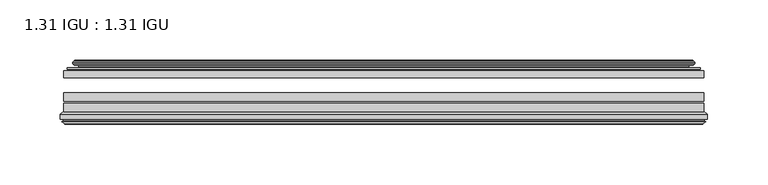
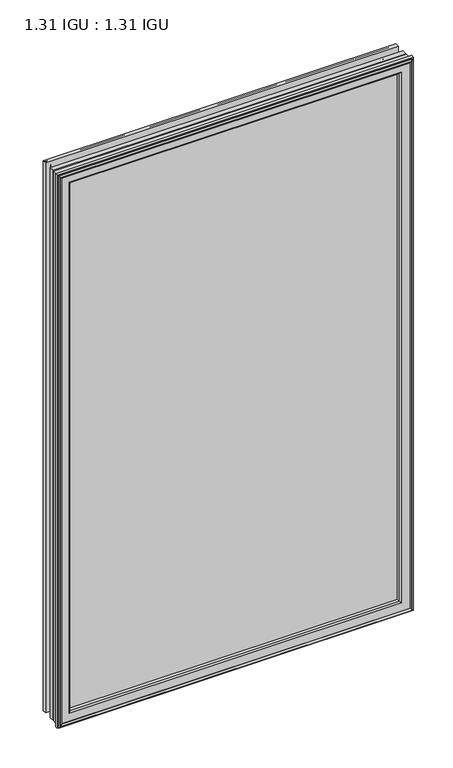
"""IFC4 building model written with IfcOpenShell, lengths in millimetres: plate geometry, 1.31 IGU : 1.31 IGU."""

from ifc_helpers import new_model, si_unit, frame, origin, place, context, project, spatial, polyline, ellipse_curve, outline, extrude, source, transform, mapped, element, save
from ifc_brep_helpers import plane_surface, cylinder_surface, revolved_surface, advanced_brep


def plate_1_31_igu_1_31_igu_ac7e89a2(model_context):
    return source(origin(), model_context, "Body", "SolidModel", [
        extrude(outline(polyline([(265.1078362, -44.8960875), (265.1078362, -50.4332875), (-265.1127713, -50.4332875), (-265.1127713, -44.8960875), (265.1078362, -44.8960875)])), frame((0.0, 0.0, -14.2875), z_axis=(0.0, 0.0, 1.0), x_axis=(1.0, 0.0, 0.0)), (0.0, 0.0, 1.0), 873.1260851),
        extrude(outline(polyline([(-265.1127713, -78.7796875), (-265.1127713, -71.7692875), (265.1078362, -71.7692875), (265.1078362, -78.7796875), (-265.1127713, -78.7796875)])), frame((0.0, 0.0, -14.2875), z_axis=(0.0, 0.0, 1.0), x_axis=(1.0, 0.0, 0.0)), (0.0, 0.0, 1.0), 873.1260851),
        extrude(outline(polyline([(-265.1127713, -70.2452875), (-265.1127713, -63.1332875), (265.1078362, -63.1332875), (265.1078362, -70.2452875), (-265.1127713, -70.2452875)])), frame((0.0, 0.0, -14.2875), z_axis=(0.0, 0.0, 1.0), x_axis=(1.0, 0.0, 0.0)), (0.0, 0.0, 1.0), 873.1260851),
        advanced_brep(
        [(-255.7674468, -37.7373382, 849.4932606), (-250.8258138, -36.3108875, 844.5516277), (-250.8258138, -36.3108875, -0.0005426), (-255.7674468, -37.7373382, -4.9421755), (-255.6023415, -36.9605789, 849.3281553), (-255.6023415, -36.9605789, -4.7770702), (-256.1978272, -36.4771203, 849.923641), (-256.1978272, -36.4771203, -5.3725559), (-257.462463, -37.766076, 851.1882768), (-257.462463, -37.766076, -6.6371917), (-257.4516462, -38.8797852, 851.17746), (-257.4516462, -38.8797852, -6.6263749), (-256.170161, -40.1361433, 849.8959748), (-256.170161, -40.1361433, -5.3448897), (-255.5651542, -39.649943, 849.290968), (-255.5651542, -39.649943, -4.7398829), (-256.1191684, -39.0959287, 849.8449823), (-256.1191684, -39.0959287, -5.2938972), (-253.83336, -38.7029881, 847.5591739), (-253.83336, -38.7029881, -3.0080887), (-252.3742869, -40.2107282, 846.1001008), (-252.3742869, -40.2107282, -1.5490157), (-252.6708689, -41.651269, 846.3966827), (-252.6708689, -41.651269, -1.8455976), (-253.4420933, -42.2798875, 847.1679072), (-253.4420933, -42.2798875, -2.6168221), (-261.7460697, -43.4871542, 855.4718835), (-261.4708682, -42.2798875, 855.1966821), (-261.4708682, -42.2798875, -10.6455969), (-261.7460697, -43.4871542, -10.9207984), (-258.288501, -44.8960875, 852.0143149), (-258.288501, -44.8960875, -7.4632297), (-247.1908772, -44.023302, 840.9166911), (-247.5462152, -44.8960875, 841.272029), (-247.5462152, -44.8960875, 3.2790561), (-247.1908772, -44.023302, 3.6343941), (-247.8620752, -43.3681812, 841.5878891), (-247.8620752, -43.3681812, 2.963196), (-249.5028658, -40.6686056, 843.2286797), (-249.5028658, -40.6686056, 1.3224054), (250.8258138, -36.3108875, -0.0005426), (255.7674468, -37.7373382, -4.9421755), (255.6023415, -36.9605789, -4.7770702), (256.1978272, -36.4771203, -5.3725559), (257.462463, -37.766076, -6.6371917), (257.4516462, -38.8797852, -6.6263749), (256.170161, -40.1361433, -5.3448897), (255.5651542, -39.649943, -4.7398829), (256.1191684, -39.0959287, -5.2938972), (253.83336, -38.7029881, -3.0080887), (252.3742869, -40.2107282, -1.5490157), (252.6708689, -41.651269, -1.8455976), (253.4420933, -42.2798875, -2.6168221), (261.4708682, -42.2798875, -10.6455969), (261.7460697, -43.4871542, -10.9207984), (258.288501, -44.8960875, -7.4632297), (247.5462152, -44.8960875, 3.2790561), (247.1908772, -44.023302, 3.6343941), (247.8620752, -43.3681812, 2.963196), (249.5028658, -40.6686056, 1.3224054), (250.8258138, -36.3108875, 844.5516277), (255.7674468, -37.7373382, 849.4932606), (255.6023415, -36.9605789, 849.3281553), (256.1978272, -36.4771203, 849.923641), (257.462463, -37.766076, 851.1882768), (257.4516462, -38.8797852, 851.17746), (256.170161, -40.1361433, 849.8959748), (255.5651542, -39.649943, 849.290968), (256.1191684, -39.0959287, 849.8449823), (253.83336, -38.7029881, 847.5591739), (252.3742869, -40.2107282, 846.1001008), (252.6708689, -41.651269, 846.3966827), (253.4420933, -42.2798875, 847.1679072), (261.4708682, -42.2798875, 855.1966821), (261.7460697, -43.4871542, 855.4718835), (258.288501, -44.8960875, 852.0143149), (247.5462152, -44.8960875, 841.272029), (247.1908772, -44.023302, 840.9166911), (247.8620752, -43.3681812, 841.5878891), (249.5028658, -40.6686056, 843.2286797)],
        [
            (0, 1),
            (1, 2),
            (2, 3),
            (3, 0),
            (4, 0),
            (3, 5),
            (5, 4),
            (6, 4, ellipse_curve(frame((-255.9228584, -36.746901, 849.6486723), z_axis=(-0.7071067811865475, 0.0, -0.7071067811865475), x_axis=(-0.7071067811865474, 0.0, 0.7071067811865476)), 0.5447741, 0.3852135)),
            (5, 7, ellipse_curve(frame((-255.9228584, -36.746901, -5.0975871), z_axis=(-0.7071067811865475, 0.0, 0.7071067811865475), x_axis=(0.7071067811865474, 0.0, 0.7071067811865476)), 0.5447741, 0.3852135)),
            (7, 6),
            (8, 6),
            (7, 9),
            (9, 8),
            (10, 8, ellipse_curve(frame((-256.9004099, -38.3175243, 850.6262238), z_axis=(-0.7071067811865475, 0.0, -0.7071067811865475), x_axis=(-0.7071067811865474, 0.0, 0.7071067811865476)), 1.1135518, 0.7874)),
            (9, 11, ellipse_curve(frame((-256.9004099, -38.3175243, -6.0751387), z_axis=(-0.7071067811865475, 0.0, 0.7071067811865475), x_axis=(0.7071067811865474, 0.0, 0.7071067811865476)), 1.1135518, 0.7874)),
            (11, 10),
            (12, 10),
            (11, 13),
            (13, 12),
            (14, 12, ellipse_curve(frame((-255.8965635, -39.8570738, 849.6223773), z_axis=(-0.7071067811865475, 0.0, -0.7071067811865475), x_axis=(-0.7071067811865474, 0.0, 0.7071067811865476)), 0.552694, 0.3908137)),
            (13, 15, ellipse_curve(frame((-255.8965635, -39.8570738, -5.0712922), z_axis=(-0.7071067811865475, 0.0, 0.7071067811865475), x_axis=(0.7071067811865474, 0.0, 0.7071067811865476)), 0.552694, 0.3908137)),
            (15, 14),
            (16, 14),
            (15, 17),
            (17, 16),
            (18, 16),
            (17, 19),
            (19, 18),
            (20, 18, ellipse_curve(frame((-253.6181974, -39.954629, 847.3440112), z_axis=(0.7071067811865475, 0.0, 0.7071067811865475), x_axis=(0.7071067811865474, 0.0, -0.7071067811865476)), 1.7960512, 1.27)),
            (19, 21, ellipse_curve(frame((-253.6181974, -39.954629, -2.7929261), z_axis=(0.7071067811865475, 0.0, -0.7071067811865475), x_axis=(-0.7071067811865474, 0.0, -0.7071067811865476)), 1.7960512, 1.27)),
            (21, 20),
            (22, 20),
            (21, 23),
            (23, 22),
            (24, 22, ellipse_curve(frame((-253.4420933, -41.4924875, 847.1679072), z_axis=(0.7071067811865475, 0.0, 0.7071067811865475), x_axis=(0.7071067811865474, 0.0, -0.7071067811865476)), 1.1135518, 0.7874)),
            (23, 25, ellipse_curve(frame((-253.4420933, -41.4924875, -2.6168221), z_axis=(0.7071067811865475, 0.0, -0.7071067811865475), x_axis=(-0.7071067811865474, 0.0, -0.7071067811865476)), 1.1135518, 0.7874)),
            (25, 24),
            (26, 27, ellipse_curve(frame((-261.4708682, -42.9148875, 855.1966821), z_axis=(-0.7071067811865475, 0.0, -0.7071067811865475), x_axis=(-0.7071067811865474, 0.0, 0.7071067811865476)), 0.8980256, 0.635)),
            (27, 28),
            (28, 29, ellipse_curve(frame((-261.4708682, -42.9148875, -10.6455969), z_axis=(-0.7071067811865475, 0.0, 0.7071067811865475), x_axis=(0.7071067811865474, 0.0, 0.7071067811865476)), 0.8980256, 0.635)),
            (29, 26),
            (30, 26),
            (29, 31),
            (31, 30),
            (32, 33, ellipse_curve(frame((-247.5462152, -44.3873602, 841.272029), z_axis=(-0.7071067811865475, 0.0, -0.7071067811865475), x_axis=(-0.7071067811865474, 0.0, 0.7071067811865476)), 0.719449, 0.5087273)),
            (33, 34),
            (34, 35, ellipse_curve(frame((-247.5462152, -44.3873602, 3.2790561), z_axis=(-0.7071067811865475, 0.0, 0.7071067811865475), x_axis=(0.7071067811865474, 0.0, 0.7071067811865476)), 0.719449, 0.5087273)),
            (35, 32),
            (36, 32),
            (35, 37),
            (37, 36),
            (38, 36, ellipse_curve(frame((-243.426701, -38.823959, 837.1525149), z_axis=(0.7071067811865475, 0.0, 0.7071067811865475), x_axis=(0.7071067811865474, 0.0, -0.7071067811865476)), 8.9802561, 6.35)),
            (37, 39, ellipse_curve(frame((-243.426701, -38.823959, 7.3985702), z_axis=(0.7071067811865475, 0.0, -0.7071067811865475), x_axis=(-0.7071067811865474, 0.0, -0.7071067811865476)), 8.9802561, 6.35)),
            (39, 38),
            (1, 38),
            (39, 2),
            (2, 40),
            (40, 41),
            (41, 3),
            (41, 42),
            (42, 5),
            (42, 43, ellipse_curve(frame((255.9228584, -36.746901, -5.0975871), z_axis=(-0.7071067811865475, 0.0, -0.7071067811865475), x_axis=(-0.7071067811865476, 0.0, 0.7071067811865474)), 0.5447741, 0.3852135)),
            (43, 7),
            (43, 44),
            (44, 9),
            (44, 45, ellipse_curve(frame((256.9004099, -38.3175243, -6.0751387), z_axis=(-0.7071067811865475, 0.0, -0.7071067811865475), x_axis=(-0.7071067811865476, 0.0, 0.7071067811865474)), 1.1135518, 0.7874)),
            (45, 11),
            (45, 46),
            (46, 13),
            (46, 47, ellipse_curve(frame((255.8965635, -39.8570738, -5.0712922), z_axis=(-0.7071067811865475, 0.0, -0.7071067811865475), x_axis=(-0.7071067811865476, 0.0, 0.7071067811865474)), 0.552694, 0.3908137)),
            (47, 15),
            (47, 48),
            (48, 17),
            (48, 49),
            (49, 19),
            (49, 50, ellipse_curve(frame((253.6181974, -39.954629, -2.7929261), z_axis=(0.7071067811865475, 0.0, 0.7071067811865475), x_axis=(0.7071067811865476, 0.0, -0.7071067811865474)), 1.7960512, 1.27)),
            (50, 21),
            (50, 51),
            (51, 23),
            (51, 52, ellipse_curve(frame((253.4420933, -41.4924875, -2.6168221), z_axis=(0.7071067811865475, 0.0, 0.7071067811865475), x_axis=(0.7071067811865476, 0.0, -0.7071067811865474)), 1.1135518, 0.7874)),
            (52, 25),
            (28, 53),
            (53, 54, ellipse_curve(frame((261.4708682, -42.9148875, -10.6455969), z_axis=(-0.7071067811865475, 0.0, -0.7071067811865475), x_axis=(-0.7071067811865476, 0.0, 0.7071067811865474)), 0.8980256, 0.635)),
            (54, 29),
            (54, 55),
            (55, 31),
            (34, 56),
            (56, 57, ellipse_curve(frame((247.5462152, -44.3873602, 3.2790561), z_axis=(-0.7071067811865475, 0.0, -0.7071067811865475), x_axis=(-0.7071067811865476, 0.0, 0.7071067811865474)), 0.719449, 0.5087273)),
            (57, 35),
            (57, 58),
            (58, 37),
            (58, 59, ellipse_curve(frame((243.426701, -38.823959, 7.3985702), z_axis=(0.7071067811865475, 0.0, 0.7071067811865475), x_axis=(0.7071067811865476, 0.0, -0.7071067811865474)), 8.9802561, 6.35)),
            (59, 39),
            (59, 40),
            (40, 60),
            (60, 61),
            (61, 41),
            (61, 62),
            (62, 42),
            (62, 63, ellipse_curve(frame((255.9228584, -36.746901, 849.6486723), z_axis=(0.7071067811865475, 0.0, -0.7071067811865475), x_axis=(-0.7071067811865474, 0.0, -0.7071067811865476)), 0.5447741, 0.3852135)),
            (63, 43),
            (63, 64),
            (64, 44),
            (64, 65, ellipse_curve(frame((256.9004099, -38.3175243, 850.6262238), z_axis=(0.7071067811865475, 0.0, -0.7071067811865475), x_axis=(-0.7071067811865474, 0.0, -0.7071067811865476)), 1.1135518, 0.7874)),
            (65, 45),
            (65, 66),
            (66, 46),
            (66, 67, ellipse_curve(frame((255.8965635, -39.8570738, 849.6223773), z_axis=(0.7071067811865475, 0.0, -0.7071067811865475), x_axis=(-0.7071067811865474, 0.0, -0.7071067811865476)), 0.552694, 0.3908137)),
            (67, 47),
            (67, 68),
            (68, 48),
            (68, 69),
            (69, 49),
            (69, 70, ellipse_curve(frame((253.6181974, -39.954629, 847.3440112), z_axis=(-0.7071067811865475, 0.0, 0.7071067811865475), x_axis=(0.7071067811865474, 0.0, 0.7071067811865476)), 1.7960512, 1.27)),
            (70, 50),
            (70, 71),
            (71, 51),
            (71, 72, ellipse_curve(frame((253.4420933, -41.4924875, 847.1679072), z_axis=(-0.7071067811865475, 0.0, 0.7071067811865475), x_axis=(0.7071067811865474, 0.0, 0.7071067811865476)), 1.1135518, 0.7874)),
            (72, 52),
            (53, 73),
            (73, 74, ellipse_curve(frame((261.4708682, -42.9148875, 855.1966821), z_axis=(0.7071067811865475, 0.0, -0.7071067811865475), x_axis=(-0.7071067811865474, 0.0, -0.7071067811865476)), 0.8980256, 0.635)),
            (74, 54),
            (74, 75),
            (75, 55),
            (56, 76),
            (76, 77, ellipse_curve(frame((247.5462152, -44.3873602, 841.272029), z_axis=(0.7071067811865475, 0.0, -0.7071067811865475), x_axis=(-0.7071067811865474, 0.0, -0.7071067811865476)), 0.719449, 0.5087273)),
            (77, 57),
            (77, 78),
            (78, 58),
            (78, 79, ellipse_curve(frame((243.426701, -38.823959, 837.1525149), z_axis=(-0.7071067811865475, 0.0, 0.7071067811865475), x_axis=(0.7071067811865474, 0.0, 0.7071067811865476)), 8.9802561, 6.35)),
            (79, 59),
            (79, 60),
            (60, 1),
            (0, 61),
            (4, 62),
            (6, 63),
            (8, 64),
            (10, 65),
            (12, 66),
            (14, 67),
            (16, 68),
            (18, 69),
            (20, 70),
            (22, 71),
            (24, 72),
            (27, 73),
            (26, 74),
            (30, 75),
            (33, 76),
            (32, 77),
            (36, 78),
            (38, 79),
        ],
        [
            plane_surface(frame((-250.8258138, -36.3108875, 844.5516277), z_axis=(-0.2773364928492854, 0.9607728502273877, 0.0), x_axis=(0.0, 0.0, -1.0))),
            plane_surface(frame((-255.7674468, -37.7373382, 849.4932606), z_axis=(0.9781476007338358, -0.2079116908176177, 0.0), x_axis=(0.0, 0.0, -1.0))),
            cylinder_surface(frame((-255.9228584, -36.746901, 876.3010851), z_axis=(0.0, 0.0, 1.0), x_axis=(-1.0, 0.0, 0.0)), 0.3852135),
            plane_surface(frame((-256.1978272, -36.4771203, 849.923641), z_axis=(-0.7138087599382162, 0.7003406701280928, 0.0), x_axis=(0.0, 0.0, -1.0))),
            cylinder_surface(frame((-256.9004099, -38.3175243, 876.3010851), z_axis=(0.0, 0.0, 1.0), x_axis=(-1.0, 0.0, 0.0)), 0.7874),
            plane_surface(frame((-257.4516462, -38.8797852, 851.17746), z_axis=(-0.7000714109283732, -0.7140728391423082, 0.0), x_axis=(0.0, 0.0, -1.0))),
            cylinder_surface(frame((-255.8965635, -39.8570738, 876.3010851), z_axis=(0.0, 0.0, 1.0), x_axis=(-1.0, 0.0, 0.0)), 0.3908137),
            plane_surface(frame((-255.5651542, -39.649943, 849.290968), z_axis=(0.7071067811861126, 0.7071067811869826, 0.0), x_axis=(0.0, 0.0, -1.0))),
            plane_surface(frame((-256.1191684, -39.0959287, 849.8449823), z_axis=(0.16941940671011482, -0.9855440449974789, 0.0), x_axis=(0.0, 0.0, -1.0))),
            revolved_surface(polyline([(-254.88819740000002, -39.954629, -4.0629260828783345), (-254.88819740000002, -39.954629, 848.6140111828782)]), (-253.6181974, -39.954629, 876.3010851), (0.0, 0.0, -1.0)),
            plane_surface(frame((-252.3742869, -40.2107282, 846.1001008), z_axis=(-0.9794570432566897, 0.201652920670302, 0.0), x_axis=(0.0, 0.0, -1.0))),
            revolved_surface(polyline([(-254.2294933, -41.4924875, -3.4042221289824965), (-254.2294933, -41.4924875, 847.9553072289824)]), (-253.4420933, -41.4924875, 876.3010851), (0.0, 0.0, -1.0)),
            cylinder_surface(frame((-261.4708682, -42.9148875, 876.3010851), z_axis=(0.0, 0.0, 1.0), x_axis=(-1.0, 0.0, 0.0)), 0.635),
            plane_surface(frame((-261.7460697, -43.4871542, 855.4718835), z_axis=(-0.37736447542757934, -0.9260648209954139, 0.0), x_axis=(0.0, 0.0, -1.0))),
            cylinder_surface(frame((-247.5462152, -44.3873602, 876.3010851), z_axis=(0.0, 0.0, 1.0), x_axis=(-1.0, 0.0, 0.0)), 0.5087273),
            plane_surface(frame((-247.1908772, -44.023302, 840.9166911), z_axis=(0.698484125849927, 0.7156255486884628, 0.0), x_axis=(0.0, 0.0, -1.0))),
            revolved_surface(polyline([(-249.776701, -38.823959, 1.0485702148981773), (-249.776701, -38.823959, 843.5025148851018)]), (-243.426701, -38.823959, 876.3010851), (0.0, 0.0, -1.0)),
            plane_surface(frame((-249.5028658, -40.6686056, 843.2286797), z_axis=(0.9568763473517009, 0.2904955350411895, 0.0), x_axis=(0.0, 0.0, -1.0))),
            plane_surface(frame((-250.8258138, -36.3108875, -0.0005426), z_axis=(0.0, 0.9607728502273868, -0.2773364928492885), x_axis=(1.0, 0.0, 0.0))),
            plane_surface(frame((-255.7674468, -37.7373382, -4.9421755), z_axis=(0.0, -0.20791169081761454, 0.9781476007338364), x_axis=(1.0, 0.0, 0.0))),
            cylinder_surface(frame((-282.5752713, -36.746901, -5.0975871), z_axis=(-1.0, 0.0, 0.0), x_axis=(0.0, 0.0, -1.0)), 0.3852135),
            plane_surface(frame((-256.1978272, -36.4771203, -5.3725559), z_axis=(0.0, 0.7003406701280904, -0.7138087599382185), x_axis=(1.0, 0.0, 0.0))),
            cylinder_surface(frame((-282.5752713, -38.3175243, -6.0751387), z_axis=(-1.0, 0.0, 0.0), x_axis=(0.0, 0.0, -1.0)), 0.7874),
            plane_surface(frame((-257.4516462, -38.8797852, -6.6263749), z_axis=(0.0, -0.7140728391423105, -0.7000714109283709), x_axis=(1.0, 0.0, 0.0))),
            cylinder_surface(frame((-282.5752713, -39.8570738, -5.0712922), z_axis=(-1.0, 0.0, 0.0), x_axis=(0.0, 0.0, -1.0)), 0.3908137),
            plane_surface(frame((-255.5651542, -39.649943, -4.7398829), z_axis=(0.0, 0.7071067811869849, 0.7071067811861103), x_axis=(1.0, 0.0, 0.0))),
            plane_surface(frame((-256.1191684, -39.0959287, -5.2938972), z_axis=(0.0, -0.9855440449974784, 0.16941940671011801), x_axis=(1.0, 0.0, 0.0))),
            revolved_surface(polyline([(254.88819738287833, -39.954629, -4.0629261), (-254.88819738287825, -39.954629, -4.0629261)]), (-282.5752713, -39.954629, -2.7929261), (1.0, 0.0, 0.0)),
            plane_surface(frame((-252.3742869, -40.2107282, -1.5490157), z_axis=(0.0, 0.20165292067029883, -0.9794570432566904), x_axis=(1.0, 0.0, 0.0))),
            revolved_surface(polyline([(254.22949332898253, -41.4924875, -3.4042220999999997), (-254.2294933289825, -41.4924875, -3.4042220999999997)]), (-282.5752713, -41.4924875, -2.6168221), (1.0, 0.0, 0.0)),
            cylinder_surface(frame((-282.5752713, -42.9148875, -10.6455969), z_axis=(-1.0, 0.0, 0.0), x_axis=(0.0, 0.0, -1.0)), 0.635),
            plane_surface(frame((-261.7460697, -43.4871542, -10.9207984), z_axis=(0.0, -0.9260648209954151, -0.37736447542757634), x_axis=(1.0, 0.0, 0.0))),
            cylinder_surface(frame((-282.5752713, -44.3873602, 3.2790561), z_axis=(-1.0, 0.0, 0.0), x_axis=(0.0, 0.0, -1.0)), 0.5087273),
            plane_surface(frame((-247.1908772, -44.023302, 3.6343941), z_axis=(0.0, 0.7156255486884651, 0.6984841258499247), x_axis=(1.0, 0.0, 0.0))),
            revolved_surface(polyline([(249.77670098510185, -38.823959, 1.0485702000000003), (-249.77670098510185, -38.823959, 1.0485702000000003)]), (-282.5752713, -38.823959, 7.3985702), (1.0, 0.0, 0.0)),
            plane_surface(frame((-249.5028658, -40.6686056, 1.3224054), z_axis=(0.0, 0.29049553504119263, 0.9568763473517), x_axis=(1.0, 0.0, 0.0))),
            plane_surface(frame((250.8258138, -36.3108875, -0.0005426), z_axis=(0.2773364928492916, 0.9607728502273859, 0.0), x_axis=(0.0, 0.0, 1.0))),
            plane_surface(frame((255.7674468, -37.7373382, -4.9421755), z_axis=(-0.9781476007338371, -0.20791169081761138, 0.0), x_axis=(0.0, 0.0, 1.0))),
            cylinder_surface(frame((255.9228584, -36.746901, -31.75), z_axis=(0.0, 0.0, -1.0), x_axis=(1.0, 0.0, 0.0)), 0.3852135),
            plane_surface(frame((256.1978272, -36.4771203, -5.3725559), z_axis=(0.7138087599382208, 0.7003406701280882, 0.0), x_axis=(0.0, 0.0, 1.0))),
            cylinder_surface(frame((256.9004099, -38.3175243, -31.75), z_axis=(0.0, 0.0, -1.0), x_axis=(1.0, 0.0, 0.0)), 0.7874),
            plane_surface(frame((257.4516462, -38.8797852, -6.6263749), z_axis=(0.7000714109283687, -0.7140728391423128, 0.0), x_axis=(0.0, 0.0, 1.0))),
            cylinder_surface(frame((255.8965635, -39.8570738, -31.75), z_axis=(0.0, 0.0, -1.0), x_axis=(1.0, 0.0, 0.0)), 0.3908137),
            plane_surface(frame((255.5651542, -39.649943, -4.7398829), z_axis=(-0.7071067811861079, 0.7071067811869872, 0.0), x_axis=(0.0, 0.0, 1.0))),
            plane_surface(frame((256.1191684, -39.0959287, -5.2938972), z_axis=(-0.1694194067101212, -0.9855440449974778, 0.0), x_axis=(0.0, 0.0, 1.0))),
            revolved_surface(polyline([(254.88819740000002, -39.954629, 848.6140111828782), (254.88819740000002, -39.954629, -4.062926082878235)]), (253.6181974, -39.954629, -31.75), (0.0, 0.0, 1.0)),
            plane_surface(frame((252.3742869, -40.2107282, -1.5490157), z_axis=(0.979457043256691, 0.20165292067029567, 0.0), x_axis=(0.0, 0.0, 1.0))),
            revolved_surface(polyline([(254.2294933, -41.4924875, 847.9553072289824), (254.2294933, -41.4924875, -3.404222128982486)]), (253.4420933, -41.4924875, -31.75), (0.0, 0.0, 1.0)),
            cylinder_surface(frame((261.4708682, -42.9148875, -31.75), z_axis=(0.0, 0.0, -1.0), x_axis=(1.0, 0.0, 0.0)), 0.635),
            plane_surface(frame((261.7460697, -43.4871542, -10.9207984), z_axis=(0.37736447542757334, -0.9260648209954163, 0.0), x_axis=(0.0, 0.0, 1.0))),
            cylinder_surface(frame((247.5462152, -44.3873602, -31.75), z_axis=(0.0, 0.0, -1.0), x_axis=(1.0, 0.0, 0.0)), 0.5087273),
            plane_surface(frame((247.1908772, -44.023302, 3.6343941), z_axis=(-0.6984841258499224, 0.7156255486884673, 0.0), x_axis=(0.0, 0.0, 1.0))),
            revolved_surface(polyline([(249.776701, -38.823959, 843.5025148851018), (249.776701, -38.823959, 1.0485702148981417)]), (243.426701, -38.823959, -31.75), (0.0, 0.0, 1.0)),
            plane_surface(frame((249.5028658, -40.6686056, 1.3224054), z_axis=(-0.9568763473516991, 0.29049553504119574, 0.0), x_axis=(0.0, 0.0, 1.0))),
            plane_surface(frame((250.8258138, -36.3108875, 844.5516277), z_axis=(0.0, 0.9607728502273868, 0.2773364928492885), x_axis=(-1.0, 0.0, 0.0))),
            plane_surface(frame((255.7674468, -37.7373382, 849.4932606), z_axis=(0.0, -0.20791169081761454, -0.9781476007338364), x_axis=(-1.0, 0.0, 0.0))),
            cylinder_surface(frame((282.5752713, -36.746901, 849.6486723), z_axis=(1.0, 0.0, 0.0), x_axis=(0.0, 0.0, 1.0)), 0.3852135),
            plane_surface(frame((256.1978272, -36.4771203, 849.923641), z_axis=(0.0, 0.7003406701280904, 0.7138087599382185), x_axis=(-1.0, 0.0, 0.0))),
            cylinder_surface(frame((282.5752713, -38.3175243, 850.6262238), z_axis=(1.0, 0.0, 0.0), x_axis=(0.0, 0.0, 1.0)), 0.7874),
            plane_surface(frame((257.4516462, -38.8797852, 851.17746), z_axis=(0.0, -0.7140728391423106, 0.700071410928371), x_axis=(-1.0, 0.0, 0.0))),
            cylinder_surface(frame((282.5752713, -39.8570738, 849.6223773), z_axis=(1.0, 0.0, 0.0), x_axis=(0.0, 0.0, 1.0)), 0.3908137),
            plane_surface(frame((255.5651542, -39.649943, 849.290968), z_axis=(0.0, 0.7071067811869849, -0.7071067811861103), x_axis=(-1.0, 0.0, 0.0))),
            plane_surface(frame((256.1191684, -39.0959287, 849.8449823), z_axis=(0.0, -0.9855440449974784, -0.16941940671011801), x_axis=(-1.0, 0.0, 0.0))),
            revolved_surface(polyline([(-254.88819738287833, -39.954629, 848.6140111999999), (254.88819738287825, -39.954629, 848.6140111999999)]), (282.5752713, -39.954629, 847.3440112), (-1.0, 0.0, 0.0)),
            plane_surface(frame((252.3742869, -40.2107282, 846.1001008), z_axis=(0.0, 0.20165292067029883, 0.9794570432566904), x_axis=(-1.0, 0.0, 0.0))),
            revolved_surface(polyline([(-254.22949332898253, -41.4924875, 847.9553072), (254.2294933289825, -41.4924875, 847.9553072)]), (282.5752713, -41.4924875, 847.1679072), (-1.0, 0.0, 0.0)),
            plane_surface(frame((253.4420933, -42.2798875, 847.1679072), z_axis=(0.0, 1.0, 0.0), x_axis=(-1.0, 0.0, 0.0))),
            cylinder_surface(frame((282.5752713, -42.9148875, 855.1966821), z_axis=(1.0, 0.0, 0.0), x_axis=(0.0, 0.0, 1.0)), 0.635),
            plane_surface(frame((261.7460697, -43.4871542, 855.4718835), z_axis=(0.0, -0.9260648209954151, 0.37736447542757634), x_axis=(-1.0, 0.0, 0.0))),
            plane_surface(frame((258.288501, -44.8960875, 852.0143149), z_axis=(0.0, -1.0, 0.0), x_axis=(-1.0, 0.0, 0.0))),
            cylinder_surface(frame((282.5752713, -44.3873602, 841.272029), z_axis=(1.0, 0.0, 0.0), x_axis=(0.0, 0.0, 1.0)), 0.5087273),
            plane_surface(frame((247.1908772, -44.023302, 840.9166911), z_axis=(0.0, 0.7156255486884651, -0.6984841258499247), x_axis=(-1.0, 0.0, 0.0))),
            revolved_surface(polyline([(-249.77670098510185, -38.823959, 843.5025149), (249.77670098510185, -38.823959, 843.5025149)]), (282.5752713, -38.823959, 837.1525149), (-1.0, 0.0, 0.0)),
            plane_surface(frame((249.5028658, -40.6686056, 843.2286797), z_axis=(0.0, 0.29049553504119263, -0.9568763473517), x_axis=(-1.0, 0.0, 0.0))),
        ],
        [
            (0, [[1, 2, 3, 4]]),
            (1, [[5, -4, 6, 7]]),
            (2, [[8, -7, 9, 10]]),
            (3, [[11, -10, 12, 13]]),
            (4, [[14, -13, 15, 16]]),
            (5, [[17, -16, 18, 19]]),
            (6, [[20, -19, 21, 22]]),
            (7, [[23, -22, 24, 25]]),
            (8, [[26, -25, 27, 28]]),
            (9, [[29, -28, 30, 31]]),
            (10, [[32, -31, 33, 34]]),
            (11, [[35, -34, 36, 37]]),
            (12, [[38, 39, 40, 41]]),
            (13, [[42, -41, 43, 44]]),
            (14, [[45, 46, 47, 48]]),
            (15, [[49, -48, 50, 51]]),
            (16, [[52, -51, 53, 54]]),
            (17, [[55, -54, 56, -2]]),
            (18, [[-3, 57, 58, 59]]),
            (19, [[-6, -59, 60, 61]]),
            (20, [[-9, -61, 62, 63]]),
            (21, [[-12, -63, 64, 65]]),
            (22, [[-15, -65, 66, 67]]),
            (23, [[-18, -67, 68, 69]]),
            (24, [[-21, -69, 70, 71]]),
            (25, [[-24, -71, 72, 73]]),
            (26, [[-27, -73, 74, 75]]),
            (27, [[-30, -75, 76, 77]]),
            (28, [[-33, -77, 78, 79]]),
            (29, [[-36, -79, 80, 81]]),
            (30, [[-40, 82, 83, 84]]),
            (31, [[-43, -84, 85, 86]]),
            (32, [[-47, 87, 88, 89]]),
            (33, [[-50, -89, 90, 91]]),
            (34, [[-53, -91, 92, 93]]),
            (35, [[-56, -93, 94, -57]]),
            (36, [[-58, 95, 96, 97]]),
            (37, [[-60, -97, 98, 99]]),
            (38, [[-62, -99, 100, 101]]),
            (39, [[-64, -101, 102, 103]]),
            (40, [[-66, -103, 104, 105]]),
            (41, [[-68, -105, 106, 107]]),
            (42, [[-70, -107, 108, 109]]),
            (43, [[-72, -109, 110, 111]]),
            (44, [[-74, -111, 112, 113]]),
            (45, [[-76, -113, 114, 115]]),
            (46, [[-78, -115, 116, 117]]),
            (47, [[-80, -117, 118, 119]]),
            (48, [[-83, 120, 121, 122]]),
            (49, [[-85, -122, 123, 124]]),
            (50, [[-88, 125, 126, 127]]),
            (51, [[-90, -127, 128, 129]]),
            (52, [[-92, -129, 130, 131]]),
            (53, [[-94, -131, 132, -95]]),
            (54, [[-96, 133, -1, 134]]),
            (55, [[-98, -134, -5, 135]]),
            (56, [[-100, -135, -8, 136]]),
            (57, [[-102, -136, -11, 137]]),
            (58, [[-104, -137, -14, 138]]),
            (59, [[-106, -138, -17, 139]]),
            (60, [[-108, -139, -20, 140]]),
            (61, [[-110, -140, -23, 141]]),
            (62, [[-112, -141, -26, 142]]),
            (63, [[-114, -142, -29, 143]]),
            (64, [[-116, -143, -32, 144]]),
            (65, [[-118, -144, -35, 145]]),
            (66, [[146, -120, -82, -39], [-81, -119, -145, -37]]),
            (67, [[-121, -146, -38, 147]]),
            (68, [[-123, -147, -42, 148]]),
            (69, [[-86, -124, -148, -44], [149, -125, -87, -46]]),
            (70, [[-126, -149, -45, 150]]),
            (71, [[-128, -150, -49, 151]]),
            (72, [[-130, -151, -52, 152]]),
            (73, [[-132, -152, -55, -133]]),
        ],
    ),
        advanced_brep(
        [(-248.1377207, -83.3389875, 841.8635345), (-249.9127868, -85.1296875, 843.6386006), (-249.9127868, -85.1296875, 0.9124845), (-248.1377207, -83.3389875, 2.6875506), (-247.1145114, -78.7796875, 840.8403253), (-247.1145114, -78.7796875, 3.7107599), (-267.6952204, -80.9740477, 861.4210342), (-265.5008601, -78.7796875, 859.226674), (-265.5008601, -78.7796875, -14.6755889), (-267.6952204, -80.9740477, -16.8699491), (-267.6952204, -85.1296875, 861.4210342), (-267.6952204, -85.1296875, -16.8699491), (-265.1701602, -86.3747112, 858.895974), (-265.9213872, -85.1296875, 859.647201), (-265.9213872, -85.1296875, -15.0961159), (-265.1701602, -86.3747112, -14.3448889), (-264.8606311, -87.6502863, 858.5864449), (-264.8606311, -87.6502863, -14.0353598), (-265.8787445, -87.2076396, 859.6045583), (-265.8787445, -87.2076396, -15.0534732), (-264.1917551, -88.8840626, 857.917569), (-266.6734545, -87.2076396, 860.3992684), (-266.6734545, -87.2076396, -15.8481832), (-264.1917551, -88.8840626, -13.3664838), (-262.0399297, -86.9401656, 855.7657436), (-262.0399297, -86.9401656, -11.2146584), (-263.7472839, -87.5528811, 857.4730977), (-262.8215027, -86.9401656, 856.5473166), (-262.8215027, -86.9401656, -11.9962314), (-263.7472839, -87.5528811, -12.9220126), (-263.6639585, -86.2429356, 857.3897724), (-263.6639585, -86.2429356, -12.8386873), (-263.0657205, -85.1296875, 856.7915344), (-263.0657205, -85.1296875, -12.2404492), (249.9127868, -85.1296875, 0.9124845), (248.1377207, -83.3389875, 2.6875506), (247.1145114, -78.7796875, 3.7107599), (265.5008601, -78.7796875, -14.6755889), (267.6952204, -80.9740477, -16.8699491), (267.6952204, -85.1296875, -16.8699491), (265.9213872, -85.1296875, -15.0961159), (265.1701602, -86.3747112, -14.3448889), (264.8606311, -87.6502863, -14.0353598), (265.8787445, -87.2076396, -15.0534732), (266.6734545, -87.2076396, -15.8481832), (264.1917551, -88.8840626, -13.3664838), (262.0399297, -86.9401656, -11.2146584), (262.8215027, -86.9401656, -11.9962314), (263.7472839, -87.5528811, -12.9220126), (263.6639585, -86.2429356, -12.8386873), (263.0657205, -85.1296875, -12.2404492), (249.9127868, -85.1296875, 843.6386006), (248.1377207, -83.3389875, 841.8635345), (247.1145114, -78.7796875, 840.8403253), (265.5008601, -78.7796875, 859.226674), (267.6952204, -80.9740477, 861.4210342), (267.6952204, -85.1296875, 861.4210342), (265.9213872, -85.1296875, 859.647201), (265.1701602, -86.3747112, 858.895974), (264.8606311, -87.6502863, 858.5864449), (265.8787445, -87.2076396, 859.6045583), (266.6734545, -87.2076396, 860.3992684), (264.1917551, -88.8840626, 857.917569), (262.0399297, -86.9401656, 855.7657436), (262.8215027, -86.9401656, 856.5473166), (263.7472839, -87.5528811, 857.4730977), (263.6639585, -86.2429356, 857.3897724), (263.0657205, -85.1296875, 856.7915344)],
        [
            (0, 1, ellipse_curve(frame((-250.1642218, -83.1053133, 843.8900356), z_axis=(-0.7071067811865475, 0.0, -0.7071067811865475), x_axis=(-0.7071067811865474, 0.0, 0.7071067811865476)), 2.8848953, 2.039929)),
            (1, 2),
            (2, 3, ellipse_curve(frame((-250.1642218, -83.1053133, 0.6610495), z_axis=(-0.7071067811865475, 0.0, 0.7071067811865475), x_axis=(0.7071067811865474, 0.0, 0.7071067811865476)), 2.8848953, 2.039929)),
            (3, 0),
            (4, 0),
            (3, 5),
            (5, 4),
            (6, 7),
            (7, 8),
            (8, 9),
            (9, 6),
            (10, 6),
            (9, 11),
            (11, 10),
            (12, 13),
            (13, 14),
            (14, 15),
            (15, 12),
            (16, 12),
            (15, 17),
            (17, 16),
            (18, 16),
            (17, 19),
            (19, 18),
            (20, 21),
            (21, 22),
            (22, 23),
            (23, 20),
            (24, 20),
            (23, 25),
            (25, 24),
            (26, 27),
            (27, 28),
            (28, 29),
            (29, 26),
            (30, 26),
            (29, 31),
            (31, 30),
            (32, 30),
            (31, 33),
            (33, 32),
            (2, 34),
            (34, 35, ellipse_curve(frame((250.1642218, -83.1053133, 0.6610495), z_axis=(-0.7071067811865475, 0.0, -0.7071067811865475), x_axis=(-0.7071067811865476, 0.0, 0.7071067811865474)), 2.8848953, 2.039929)),
            (35, 3),
            (35, 36),
            (36, 5),
            (8, 37),
            (37, 38),
            (38, 9),
            (38, 39),
            (39, 11),
            (14, 40),
            (40, 41),
            (41, 15),
            (41, 42),
            (42, 17),
            (42, 43),
            (43, 19),
            (22, 44),
            (44, 45),
            (45, 23),
            (45, 46),
            (46, 25),
            (28, 47),
            (47, 48),
            (48, 29),
            (48, 49),
            (49, 31),
            (49, 50),
            (50, 33),
            (34, 51),
            (51, 52, ellipse_curve(frame((250.1642218, -83.1053133, 843.8900356), z_axis=(0.7071067811865475, 0.0, -0.7071067811865475), x_axis=(-0.7071067811865474, 0.0, -0.7071067811865476)), 2.8848953, 2.039929)),
            (52, 35),
            (52, 53),
            (53, 36),
            (37, 54),
            (54, 55),
            (55, 38),
            (55, 56),
            (56, 39),
            (40, 57),
            (57, 58),
            (58, 41),
            (58, 59),
            (59, 42),
            (59, 60),
            (60, 43),
            (44, 61),
            (61, 62),
            (62, 45),
            (62, 63),
            (63, 46),
            (47, 64),
            (64, 65),
            (65, 48),
            (65, 66),
            (66, 49),
            (66, 67),
            (67, 50),
            (51, 1),
            (0, 52),
            (4, 53),
            (7, 54),
            (6, 55),
            (10, 56),
            (13, 57),
            (12, 58),
            (16, 59),
            (18, 60),
            (21, 61),
            (20, 62),
            (24, 63),
            (27, 64),
            (26, 65),
            (30, 66),
            (32, 67),
        ],
        [
            cylinder_surface(frame((-250.1642218, -83.1053133, 876.3010851), z_axis=(0.0, 0.0, 1.0), x_axis=(-1.0, 0.0, 0.0)), 2.039929),
            plane_surface(frame((-248.1377207, -83.3389875, 841.8635345), z_axis=(0.9757302952562701, -0.2189757770145185, 0.0), x_axis=(0.0, 0.0, -1.0))),
            plane_surface(frame((-265.5008601, -78.7796875, 859.226674), z_axis=(-0.7071067811871722, 0.7071067811859229, 0.0), x_axis=(0.0, 0.0, -1.0))),
            plane_surface(frame((-267.6952204, -80.9740477, 861.4210342), z_axis=(-1.0, 0.0, 0.0), x_axis=(0.0, 0.0, -1.0))),
            plane_surface(frame((-265.9213872, -85.1296875, 859.647201), z_axis=(-0.8562121193263807, -0.516624434883434, 0.0), x_axis=(0.0, 0.0, -1.0))),
            plane_surface(frame((-265.1701602, -86.3747112, 858.895974), z_axis=(-0.9717979666139347, -0.23581499546259124, 0.0), x_axis=(0.0, 0.0, -1.0))),
            plane_surface(frame((-264.8606311, -87.6502863, 858.5864449), z_axis=(0.3987175451776161, 0.9170737806564615, 0.0), x_axis=(0.0, 0.0, -1.0))),
            plane_surface(frame((-266.6734545, -87.2076396, 860.3992684), z_axis=(-0.5597655002239059, -0.8286510633306884, 0.0), x_axis=(0.0, 0.0, -1.0))),
            plane_surface(frame((-264.1917551, -88.8840626, 857.917569), z_axis=(0.670345652676111, -0.7420489916024674, 0.0), x_axis=(0.0, 0.0, -1.0))),
            plane_surface(frame((-262.8215027, -86.9401656, 856.5473166), z_axis=(-0.5519083205498945, 0.8339047941508642, 0.0), x_axis=(0.0, 0.0, -1.0))),
            plane_surface(frame((-263.7472839, -87.5528811, 857.4730977), z_axis=(0.9979830161114805, -0.06348148984572213, 0.0), x_axis=(0.0, 0.0, -1.0))),
            plane_surface(frame((-263.6639585, -86.2429356, 857.3897724), z_axis=(0.8808682216207324, -0.47336157019632297, 0.0), x_axis=(0.0, 0.0, -1.0))),
            cylinder_surface(frame((-282.5752713, -83.1053133, 0.6610495), z_axis=(-1.0, 0.0, 0.0), x_axis=(0.0, 0.0, -1.0)), 2.039929),
            plane_surface(frame((-248.1377207, -83.3389875, 2.6875506), z_axis=(0.0, -0.21897577701451534, 0.9757302952562708), x_axis=(1.0, 0.0, 0.0))),
            plane_surface(frame((-265.5008601, -78.7796875, -14.6755889), z_axis=(0.0, 0.7071067811859205, -0.7071067811871745), x_axis=(1.0, 0.0, 0.0))),
            plane_surface(frame((-267.6952204, -80.9740477, -16.8699491), z_axis=(0.0, 0.0, -1.0), x_axis=(1.0, 0.0, 0.0))),
            plane_surface(frame((-265.9213872, -85.1296875, -15.0961159), z_axis=(0.0, -0.5166244348834368, -0.8562121193263791), x_axis=(1.0, 0.0, 0.0))),
            plane_surface(frame((-265.1701602, -86.3747112, -14.3448889), z_axis=(0.0, -0.23581499546259438, -0.9717979666139339), x_axis=(1.0, 0.0, 0.0))),
            plane_surface(frame((-264.8606311, -87.6502863, -14.0353598), z_axis=(0.0, 0.9170737806564628, 0.39871754517761315), x_axis=(1.0, 0.0, 0.0))),
            plane_surface(frame((-266.6734545, -87.2076396, -15.8481832), z_axis=(0.0, -0.8286510633306902, -0.5597655002239033), x_axis=(1.0, 0.0, 0.0))),
            plane_surface(frame((-264.1917551, -88.8840626, -13.3664838), z_axis=(0.0, -0.7420489916024652, 0.6703456526761135), x_axis=(1.0, 0.0, 0.0))),
            plane_surface(frame((-262.8215027, -86.9401656, -11.9962314), z_axis=(0.0, 0.8339047941508624, -0.5519083205498971), x_axis=(1.0, 0.0, 0.0))),
            plane_surface(frame((-263.7472839, -87.5528811, -12.9220126), z_axis=(0.0, -0.0634814898457189, 0.9979830161114808), x_axis=(1.0, 0.0, 0.0))),
            plane_surface(frame((-263.6639585, -86.2429356, -12.8386873), z_axis=(0.0, -0.47336157019632014, 0.880868221620734), x_axis=(1.0, 0.0, 0.0))),
            cylinder_surface(frame((250.1642218, -83.1053133, -31.75), z_axis=(0.0, 0.0, -1.0), x_axis=(1.0, 0.0, 0.0)), 2.039929),
            plane_surface(frame((248.1377207, -83.3389875, 2.6875506), z_axis=(-0.9757302952562714, -0.21897577701451218, 0.0), x_axis=(0.0, 0.0, 1.0))),
            plane_surface(frame((265.5008601, -78.7796875, -14.6755889), z_axis=(0.7071067811871768, 0.7071067811859182, 0.0), x_axis=(0.0, 0.0, 1.0))),
            plane_surface(frame((267.6952204, -80.9740477, -16.8699491), z_axis=(1.0, 0.0, 0.0), x_axis=(0.0, 0.0, 1.0))),
            plane_surface(frame((265.9213872, -85.1296875, -15.0961159), z_axis=(0.8562121193263774, -0.5166244348834396, 0.0), x_axis=(0.0, 0.0, 1.0))),
            plane_surface(frame((265.1701602, -86.3747112, -14.3448889), z_axis=(0.9717979666139331, -0.23581499546259752, 0.0), x_axis=(0.0, 0.0, 1.0))),
            plane_surface(frame((264.8606311, -87.6502863, -14.0353598), z_axis=(-0.3987175451776102, 0.9170737806564642, 0.0), x_axis=(0.0, 0.0, 1.0))),
            plane_surface(frame((266.6734545, -87.2076396, -15.8481832), z_axis=(0.5597655002239006, -0.8286510633306919, 0.0), x_axis=(0.0, 0.0, 1.0))),
            plane_surface(frame((264.1917551, -88.8840626, -13.3664838), z_axis=(-0.6703456526761159, -0.742048991602463, 0.0), x_axis=(0.0, 0.0, 1.0))),
            plane_surface(frame((262.8215027, -86.9401656, -11.9962314), z_axis=(0.5519083205498998, 0.8339047941508606, 0.0), x_axis=(0.0, 0.0, 1.0))),
            plane_surface(frame((263.7472839, -87.5528811, -12.9220126), z_axis=(-0.997983016111481, -0.06348148984571567, 0.0), x_axis=(0.0, 0.0, 1.0))),
            plane_surface(frame((263.6639585, -86.2429356, -12.8386873), z_axis=(-0.8808682216207355, -0.4733615701963173, 0.0), x_axis=(0.0, 0.0, 1.0))),
            cylinder_surface(frame((282.5752713, -83.1053133, 843.8900356), z_axis=(1.0, 0.0, 0.0), x_axis=(0.0, 0.0, 1.0)), 2.039929),
            plane_surface(frame((248.1377207, -83.3389875, 841.8635345), z_axis=(0.0, -0.21897577701451534, -0.9757302952562708), x_axis=(-1.0, 0.0, 0.0))),
            plane_surface(frame((247.1145114, -78.7796875, 840.8403253), z_axis=(0.0, 1.0, 0.0), x_axis=(-1.0, 0.0, 0.0))),
            plane_surface(frame((265.5008601, -78.7796875, 859.226674), z_axis=(0.0, 0.7071067811859205, 0.7071067811871745), x_axis=(-1.0, 0.0, 0.0))),
            plane_surface(frame((267.6952204, -80.9740477, 861.4210342), z_axis=(0.0, 0.0, 1.0), x_axis=(-1.0, 0.0, 0.0))),
            plane_surface(frame((267.6952204, -85.1296875, 861.4210342), z_axis=(0.0, -1.0, 0.0), x_axis=(-1.0, 0.0, 0.0))),
            plane_surface(frame((265.9213872, -85.1296875, 859.647201), z_axis=(0.0, -0.5166244348834368, 0.8562121193263791), x_axis=(-1.0, 0.0, 0.0))),
            plane_surface(frame((265.1701602, -86.3747112, 858.895974), z_axis=(0.0, -0.23581499546259438, 0.9717979666139339), x_axis=(-1.0, 0.0, 0.0))),
            plane_surface(frame((264.8606311, -87.6502863, 858.5864449), z_axis=(0.0, 0.9170737806564628, -0.39871754517761315), x_axis=(-1.0, 0.0, 0.0))),
            plane_surface(frame((265.8787445, -87.2076396, 859.6045583), z_axis=(0.0, 1.0, 0.0), x_axis=(-1.0, 0.0, 0.0))),
            plane_surface(frame((266.6734545, -87.2076396, 860.3992684), z_axis=(0.0, -0.8286510633306902, 0.5597655002239033), x_axis=(-1.0, 0.0, 0.0))),
            plane_surface(frame((264.1917551, -88.8840626, 857.917569), z_axis=(0.0, -0.7420489916024652, -0.6703456526761135), x_axis=(-1.0, 0.0, 0.0))),
            plane_surface(frame((262.0399297, -86.9401656, 855.7657436), z_axis=(0.0, 1.0, 0.0), x_axis=(-1.0, 0.0, 0.0))),
            plane_surface(frame((262.8215027, -86.9401656, 856.5473166), z_axis=(0.0, 0.8339047941508624, 0.5519083205498971), x_axis=(-1.0, 0.0, 0.0))),
            plane_surface(frame((263.7472839, -87.5528811, 857.4730977), z_axis=(0.0, -0.0634814898457189, -0.9979830161114808), x_axis=(-1.0, 0.0, 0.0))),
            plane_surface(frame((263.6639585, -86.2429356, 857.3897724), z_axis=(0.0, -0.47336157019632014, -0.880868221620734), x_axis=(-1.0, 0.0, 0.0))),
            plane_surface(frame((263.0657205, -85.1296875, 856.7915344), z_axis=(0.0, -1.0, 0.0), x_axis=(-1.0, 0.0, 0.0))),
        ],
        [
            (0, [[1, 2, 3, 4]]),
            (1, [[5, -4, 6, 7]]),
            (2, [[8, 9, 10, 11]]),
            (3, [[12, -11, 13, 14]]),
            (4, [[15, 16, 17, 18]]),
            (5, [[19, -18, 20, 21]]),
            (6, [[22, -21, 23, 24]]),
            (7, [[25, 26, 27, 28]]),
            (8, [[29, -28, 30, 31]]),
            (9, [[32, 33, 34, 35]]),
            (10, [[36, -35, 37, 38]]),
            (11, [[39, -38, 40, 41]]),
            (12, [[-3, 42, 43, 44]]),
            (13, [[-6, -44, 45, 46]]),
            (14, [[-10, 47, 48, 49]]),
            (15, [[-13, -49, 50, 51]]),
            (16, [[-17, 52, 53, 54]]),
            (17, [[-20, -54, 55, 56]]),
            (18, [[-23, -56, 57, 58]]),
            (19, [[-27, 59, 60, 61]]),
            (20, [[-30, -61, 62, 63]]),
            (21, [[-34, 64, 65, 66]]),
            (22, [[-37, -66, 67, 68]]),
            (23, [[-40, -68, 69, 70]]),
            (24, [[-43, 71, 72, 73]]),
            (25, [[-45, -73, 74, 75]]),
            (26, [[-48, 76, 77, 78]]),
            (27, [[-50, -78, 79, 80]]),
            (28, [[-53, 81, 82, 83]]),
            (29, [[-55, -83, 84, 85]]),
            (30, [[-57, -85, 86, 87]]),
            (31, [[-60, 88, 89, 90]]),
            (32, [[-62, -90, 91, 92]]),
            (33, [[-65, 93, 94, 95]]),
            (34, [[-67, -95, 96, 97]]),
            (35, [[-69, -97, 98, 99]]),
            (36, [[-72, 100, -1, 101]]),
            (37, [[-74, -101, -5, 102]]),
            (38, [[103, -76, -47, -9], [-46, -75, -102, -7]]),
            (39, [[-77, -103, -8, 104]]),
            (40, [[-79, -104, -12, 105]]),
            (41, [[-51, -80, -105, -14], [106, -81, -52, -16]]),
            (42, [[-82, -106, -15, 107]]),
            (43, [[-84, -107, -19, 108]]),
            (44, [[-86, -108, -22, 109]]),
            (45, [[110, -88, -59, -26], [-58, -87, -109, -24]]),
            (46, [[-89, -110, -25, 111]]),
            (47, [[-91, -111, -29, 112]]),
            (48, [[113, -93, -64, -33], [-63, -92, -112, -31]]),
            (49, [[-94, -113, -32, 114]]),
            (50, [[-96, -114, -36, 115]]),
            (51, [[-98, -115, -39, 116]]),
            (52, [[-70, -99, -116, -41], [-100, -71, -42, -2]]),
        ],
    ),
    ])


if __name__ == "__main__":
    model = new_model("IFC4")
    model_context = context("Model", 3, world=origin())
    ifc_project = project(units=[si_unit("LENGTHUNIT", "METRE", prefix="MILLI")], contexts=[model_context])
    site = spatial("IfcSite", under=ifc_project)
    building = spatial("IfcBuilding", under=site)
    placement = place(None, origin())
    plate_1_31_igu_1_31_igu_shape = plate_1_31_igu_1_31_igu_ac7e89a2(model_context)
    element("IfcPlate", 1, ObjectType="1.31 IGU : 1.31 IGU", at=placement, inside=building, context=model_context, shape_type="MappedRepresentation", body=[
        mapped(plate_1_31_igu_1_31_igu_shape, transform((0.0, 0.0, 0.0), x_axis=(1.0, 0.0, 0.0), y_axis=(0.0, 1.0, 0.0), z_axis=(0.0, 0.0, 1.0))),
    ])
    save(model, "model.ifc")
